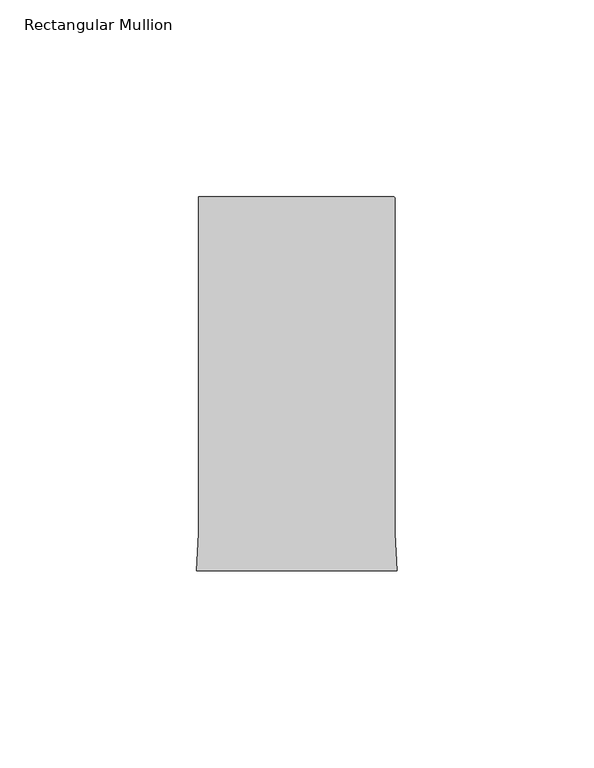
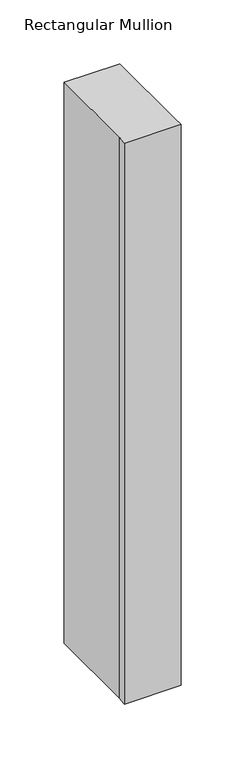
"""IFC4 building model written with IfcOpenShell, lengths in millimetres: member geometry, Rectangular Mullion."""

import ifcopenshell
import ifcopenshell.guid

model = None  # the IFC model being written
_history = None  # IfcOwnerHistory: only IFC2X3 demands one
_inside = {}  # id of a spatial element -> (the spatial element, [elements in it])
_under = {}  # id of a project, library or spatial element -> (it, [spatial elements below it])
_declared = {}  # id of a project -> (the project, [libraries it declares])
_typed = {}  # id of a type object -> (the type object, [elements of that type])
_made_of = {}  # id of a material, layer set ... -> (it, [elements and type objects made of it])


def new_model(schema):
    """Start an empty IFC model of exactly this schema.

    Asked for "IFC4X3", IfcOpenShell would pick the latest addendum, in which some entities
    have other attributes; the version numbers below select the first issue.
    IFC2X3 requires an IfcOwnerHistory on every rooted entity: one is made here for all.
    """
    global model, _history
    if schema == "IFC4X3":
        model = ifcopenshell.file(schema_version=(4, 3, 0, 0))
    else:
        model = ifcopenshell.file(schema=schema)
    _inside.clear()
    _under.clear()
    _declared.clear()
    _typed.clear()
    _made_of.clear()
    _history = None
    if model.schema == "IFC2X3":
        org = make("IfcOrganization", Name="unknown")
        user = make(
            "IfcPersonAndOrganization",
            ThePerson=make("IfcPerson", FamilyName="unknown"),
            TheOrganization=org,
        )
        app = make(
            "IfcApplication",
            ApplicationDeveloper=org,
            Version="unknown",
            ApplicationFullName="unknown",
            ApplicationIdentifier="unknown",
        )
        _history = make(
            "IfcOwnerHistory",
            OwningUser=user,
            OwningApplication=app,
            ChangeAction="ADDED",
            CreationDate=0,
        )
    return model


def make(cls, **values):
    """One entity of the class cls with the attributes given. An attribute that is None is left unset."""
    return model.create_entity(
        cls, **{name: value for name, value in values.items() if value is not None}
    )


def rooted(cls, **values):
    """An entity with a GlobalId (a new one), such as an element, a storey or a relation."""
    return make(cls, GlobalId=ifcopenshell.guid.new(), OwnerHistory=_history, **values)


def si_unit(unit_type, name, prefix=None):
    """IfcSIUnit, for example si_unit("LENGTHUNIT", "METRE", prefix="MILLI")."""
    return make("IfcSIUnit", UnitType=unit_type, Prefix=prefix, Name=name)


def assignment(units):
    """IfcUnitAssignment: the units of a project."""
    return None if units is None else make("IfcUnitAssignment", Units=units)


def point(xyz):
    """IfcCartesianPoint."""
    return None if xyz is None else make("IfcCartesianPoint", Coordinates=xyz)


def direction(xyz):
    """IfcDirection."""
    return None if xyz is None else make("IfcDirection", DirectionRatios=xyz)


def frame(location, z_axis=None, x_axis=None):
    """IfcAxis2Placement3D, a coordinate frame: its origin and axes. An axis left out is left unset."""
    return make(
        "IfcAxis2Placement3D",
        Location=point(location),
        Axis=direction(z_axis),
        RefDirection=direction(x_axis),
    )


def frame_2d(location, x_axis=None):
    """IfcAxis2Placement2D, a coordinate frame in the plane: its origin and x axis."""
    return make(
        "IfcAxis2Placement2D", Location=point(location), RefDirection=direction(x_axis)
    )


def origin():
    """The frame at (0, 0, 0) with its axes left unset."""
    return frame((0.0, 0.0, 0.0))


def place(relative_to, where):
    """IfcLocalPlacement: puts the frame where relative to a parent placement (None: the world)."""
    return make(
        "IfcLocalPlacement", PlacementRelTo=relative_to, RelativePlacement=where
    )


def context(
    kind, dimensions, precision=None, world=None, true_north=None, identifier=None
):
    """IfcGeometricRepresentationContext, for example the 3D "Model" context."""
    return make(
        "IfcGeometricRepresentationContext",
        ContextIdentifier=identifier,
        ContextType=kind,
        CoordinateSpaceDimension=dimensions,
        Precision=precision,
        WorldCoordinateSystem=world,
        TrueNorth=true_north,
    )


def project(units=None, contexts=None):
    """IfcProject with its units and contexts."""
    return rooted(
        "IfcProject",
        Name="project",
        RepresentationContexts=contexts,
        UnitsInContext=assignment(units),
    )


def spatial(cls, under=None, at=None, **own):
    """A site, building, storey or space (cls), placed at a placement, below another one or the project."""
    s = rooted(cls, ObjectPlacement=at, **own)
    if under is not None:
        _under.setdefault(under.id(), (under, []))[1].append(s)
    return s


def polyline(points):
    """IfcPolyline through the points."""
    return make("IfcPolyline", Points=[point(p) for p in points])


def circle_curve(where, radius):
    """IfcCircle in the frame where."""
    return make("IfcCircle", Position=where, Radius=radius)


def trimmed(basis, trim1, trim2, sense, master):
    """IfcTrimmedCurve: the piece of a basis curve between two trims."""
    return make(
        "IfcTrimmedCurve",
        BasisCurve=basis,
        Trim1=trim1,
        Trim2=trim2,
        SenseAgreement=sense,
        MasterRepresentation=master,
    )


def segment(curve, same_sense, transition):
    """IfcCompositeCurveSegment."""
    return make(
        "IfcCompositeCurveSegment",
        Transition=transition,
        SameSense=same_sense,
        ParentCurve=curve,
    )


def composite_curve(segments, self_intersect=None):
    """IfcCompositeCurve: segments joined end to end."""
    return make("IfcCompositeCurve", Segments=segments, SelfIntersect=self_intersect)


def outline(outer, holes=None, kind="AREA"):
    """IfcArbitraryClosedProfileDef: a profile drawn as a closed curve; with holes, ...WithVoids."""
    if holes is None:
        return make("IfcArbitraryClosedProfileDef", ProfileType=kind, OuterCurve=outer)
    return make(
        "IfcArbitraryProfileDefWithVoids",
        ProfileType=kind,
        OuterCurve=outer,
        InnerCurves=holes,
    )


def extrude(swept, where, along, depth):
    """IfcExtrudedAreaSolid: the profile swept, set in the frame where, extruded along a direction by depth."""
    return make(
        "IfcExtrudedAreaSolid",
        SweptArea=swept,
        Position=where,
        ExtrudedDirection=direction(along),
        Depth=depth,
    )


def shape(context_of_items, identifier, shape_type, items):
    """IfcShapeRepresentation: the items that make up one representation, for example the "Body"."""
    return make(
        "IfcShapeRepresentation",
        ContextOfItems=context_of_items,
        RepresentationIdentifier=identifier,
        RepresentationType=shape_type,
        Items=items,
    )


def source(mapping_origin, context_of_items, identifier, shape_type, items):
    """IfcRepresentationMap: a shape defined once, which mapped items show again and again."""
    return make(
        "IfcRepresentationMap",
        MappingOrigin=mapping_origin,
        MappedRepresentation=shape(context_of_items, identifier, shape_type, items),
    )


def transform(
    local_origin,
    x_axis=None,
    y_axis=None,
    z_axis=None,
    scale=None,
    scale2=None,
    scale3=None,
    uniform=True,
):
    """IfcCartesianTransformationOperator3D, or its non-uniform kind. x_axis, y_axis, z_axis: its Axis1, 2, 3."""
    if uniform:
        return make(
            "IfcCartesianTransformationOperator3D",
            Axis1=direction(x_axis),
            Axis2=direction(y_axis),
            LocalOrigin=point(local_origin),
            Scale=scale,
            Axis3=direction(z_axis),
        )
    return make(
        "IfcCartesianTransformationOperator3DnonUniform",
        Axis1=direction(x_axis),
        Axis2=direction(y_axis),
        LocalOrigin=point(local_origin),
        Scale=scale,
        Axis3=direction(z_axis),
        Scale2=scale2,
        Scale3=scale3,
    )


def mapped(mapping_source, mapping_target):
    """IfcMappedItem: shows the shape of a source again, moved by a transform."""
    return make(
        "IfcMappedItem", MappingSource=mapping_source, MappingTarget=mapping_target
    )


def made_of(thing, what):
    """Note that an element or type object is made of a material, layer set ...; save() writes the relation."""
    if what is not None:
        _made_of.setdefault(what.id(), (what, []))[1].append(thing)
    return thing


def element(
    cls,
    number,
    at=None,
    inside=None,
    cuts=None,
    type_object=None,
    material=None,
    context=None,
    identifier="Body",
    shape_type=None,
    held_by="IfcProductDefinitionShape",
    body=None,
    shapes=None,
    **own,
):
    """One element of the class cls, such as IfcWall. Its Tag is "e" and its number.

    at: its placement. inside: the storey or other place that contains it. cuts: it is an
    opening in that element (IfcRelVoidsElement). A single representation is given by context,
    identifier, shape_type and body (its items); several are given by shapes. held_by: the class
    of the entity that holds the representations. save() writes the other relations.
    """
    e = rooted(cls, Tag="e%d" % number, ObjectPlacement=at, **own)
    if body is not None:
        shapes = [shape(context, identifier, shape_type, body)]
    if shapes is not None:
        e.Representation = make(held_by, Representations=shapes)
    if inside is not None:
        _inside.setdefault(inside.id(), (inside, []))[1].append(e)
    if cuts is not None:
        rooted(
            "IfcRelVoidsElement", RelatingBuildingElement=cuts, RelatedOpeningElement=e
        )
    if type_object is not None:
        _typed.setdefault(type_object.id(), (type_object, []))[1].append(e)
    return made_of(e, material)


def aggregate(whole, parts):
    """IfcRelAggregates: a whole, such as a stair, and the parts it consists of."""
    return rooted("IfcRelAggregates", RelatingObject=whole, RelatedObjects=parts)


def save(model, path):
    """Write the relations noted so far, then the file.

    IfcRelAggregates (storeys below a building ...), IfcRelContainedInSpatialStructure (elements
    in a storey), IfcRelDefinesByType, IfcRelAssociatesMaterial and IfcRelDeclares: one each for
    every whole, place, type object, material and project.
    """
    for whole, parts in _under.values():
        aggregate(whole, parts)
    for where, things in _inside.values():
        rooted(
            "IfcRelContainedInSpatialStructure",
            RelatedElements=things,
            RelatingStructure=where,
        )
    for kind, things in _typed.values():
        rooted("IfcRelDefinesByType", RelatedObjects=things, RelatingType=kind)
    for what, things in _made_of.values():
        rooted("IfcRelAssociatesMaterial", RelatedObjects=things, RelatingMaterial=what)
    for by, libraries in _declared.values():
        rooted("IfcRelDeclares", RelatingContext=by, RelatedDefinitions=libraries)
    model.write(path)


def rectangular_mullion_d0735610(model_context):
    return source(origin(), model_context, "Body", "SweptSolid", [
        extrude(outline(composite_curve([segment(polyline([(-25.0000004, 108.995434), (24.4999996, 108.995434)]), True, "CONTINUOUS"), segment(trimmed(circle_curve(frame_2d((24.4999996, 108.495434)), 0.5), [point((24.4999996, 108.995434))], [point((24.9999996, 108.495434))], False, "CARTESIAN"), True, "CONTINUOUS"), segment(polyline([(24.9999996, 108.495434), (24.9999996, 23.4857005), (25.4480462, 14.0), (-25.448047, 14.0), (-25.0000004, 23.4857005), (-25.0000004, 108.995434)]), True, "CONTINUOUS")], self_intersect=False)), frame((0.0, 0.0, -535.2150176), z_axis=(0.0, 0.0, 1.0), x_axis=(1.0, 0.0, 0.0)), (0.0, 0.0, 1.0), 535.2150176),
    ])


if __name__ == "__main__":
    model = new_model("IFC4")
    model_context = context("Model", 3, world=origin())
    ifc_project = project(units=[si_unit("LENGTHUNIT", "METRE", prefix="MILLI")], contexts=[model_context])
    site = spatial("IfcSite", under=ifc_project)
    building = spatial("IfcBuilding", under=site)
    placement = place(None, origin())
    rectangular_mullion_shape = rectangular_mullion_d0735610(model_context)
    element("IfcMember", 1, ObjectType="Rectangular Mullion", at=placement, inside=building, context=model_context, shape_type="MappedRepresentation", body=[
        mapped(rectangular_mullion_shape, transform((0.0, 0.0, 0.0), x_axis=(1.0, 0.0, 0.0), y_axis=(0.0, 1.0, 0.0), z_axis=(0.0, 0.0, 1.0))),
    ])
    save(model, "model.ifc")
